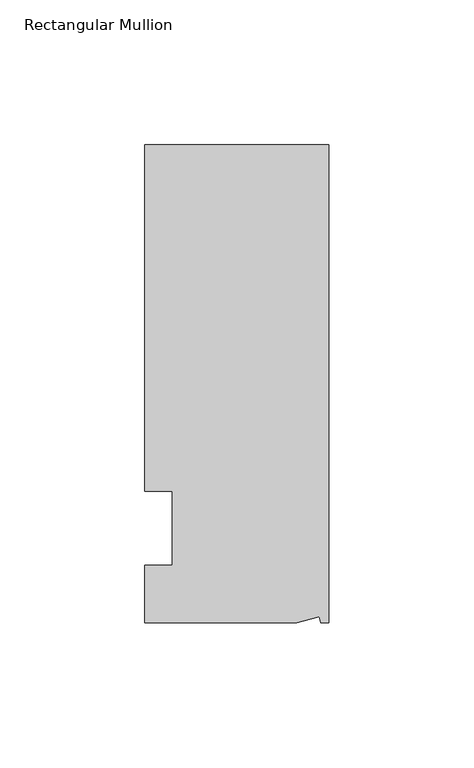
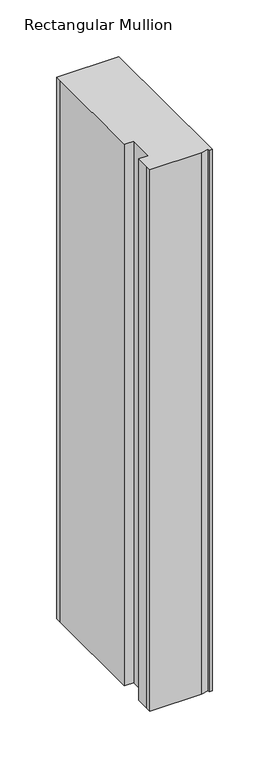
"""IFC4 building model written with IfcOpenShell, lengths in millimetres: member geometry, Rectangular Mullion."""

from ifc_helpers import new_model, si_unit, origin, place, context, project, spatial, faceted_brep, source, transform, mapped, element, save


def rectangular_mullion_06aa3546(model_context):
    return source(origin(), model_context, "Body", "Brep", [
        faceted_brep([(0.0, 132.5561012, 0.0), (-63.5, 132.5561012, 0.0), (-63.5, 126.2061012, 0.0), (-63.5, 12.8488281, 0.0), (-53.975, 12.8488281, 0.0), (-53.975, -12.7, 0.0), (-63.5, -12.7, 0.0), (-63.5, -26.1938988, 0.0), (-63.5076469, -32.5438988, 0.0), (-11.1125, -32.5438988, 0.0), (-3.3223696, -30.4565397, 0.0), (-2.7630634, -32.5438988, 0.0), (0.0, -32.5438988, 0.0), (0.0, 132.5561012, -584.2), (0.0, -32.5438988, -584.2), (-2.7630634, -32.5438988, -584.2), (-3.3223696, -30.4565397, -584.2), (-11.1125, -32.5438988, -584.2), (-63.5076469, -32.5438988, -584.2), (-63.5076469, -26.1938988, -584.2), (-63.5, -12.7, -584.2), (-53.975, -12.7, -584.2), (-53.975, 12.8488281, -584.2), (-63.5, 12.8488281, -584.2), (-63.5, 126.2061012, -584.2), (-63.5, 132.5561012, -584.2)], [[[0, 1, 2, 3, 4, 5, 6, 7, 8, 9, 10, 11, 12]], [[13, 14, 15, 16, 17, 18, 19, 20, 21, 22, 23, 24, 25]], [[0, 12, 14, 13]], [[1, 0, 13, 25]], [[3, 2, 24, 23]], [[4, 3, 23, 22]], [[5, 4, 22, 21]], [[6, 5, 21, 20]], [[7, 6, 20, 19]], [[9, 8, 18, 17]], [[10, 9, 17, 16]], [[11, 10, 16, 15]], [[12, 11, 15, 14]], [[2, 1, 25, 24]], [[8, 7, 19, 18]]]),
    ])


if __name__ == "__main__":
    model = new_model("IFC4")
    model_context = context("Model", 3, world=origin())
    ifc_project = project(units=[si_unit("LENGTHUNIT", "METRE", prefix="MILLI")], contexts=[model_context])
    site = spatial("IfcSite", under=ifc_project)
    building = spatial("IfcBuilding", under=site)
    placement = place(None, origin())
    rectangular_mullion_shape = rectangular_mullion_06aa3546(model_context)
    element("IfcMember", 1, ObjectType="Rectangular Mullion", at=placement, inside=building, context=model_context, shape_type="MappedRepresentation", body=[
        mapped(rectangular_mullion_shape, transform((0.0, 0.0, 0.0), x_axis=(1.0, 0.0, 0.0), y_axis=(0.0, 1.0, 0.0), z_axis=(0.0, 0.0, 1.0))),
    ])
    save(model, "model.ifc")
